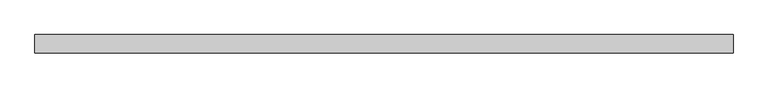
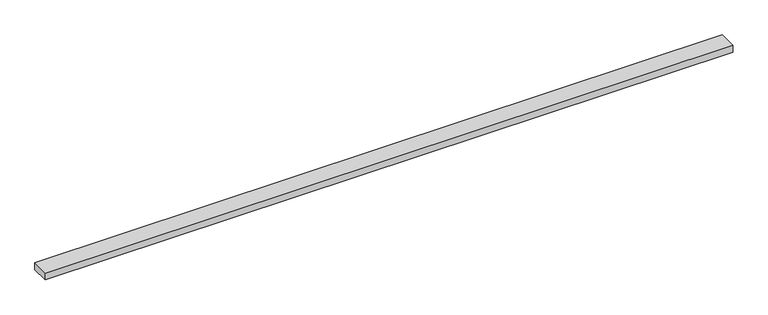
"""IFC4 building model written with IfcOpenShell, lengths in millimetres: beam geometry."""

from ifc_helpers import new_model, si_unit, frame, origin, place, context, project, spatial, polyline, outline, extrude, source, transform, mapped, element, save


def beam_5170ab33(model_context):
    return source(origin(), model_context, "Body", "SweptSolid", [
        extrude(outline(polyline([(1343.5, -35.0), (-1308.5, -35.0), (-1308.5, 35.0), (1343.5, 35.0), (1343.5, -35.0)])), frame((0.0, 0.0, -14.0), z_axis=(0.0, 0.0, 1.0), x_axis=(1.0, 0.0, 0.0)), (0.0, 0.0, 1.0), 28.0),
    ])


if __name__ == "__main__":
    model = new_model("IFC4")
    model_context = context("Model", 3, world=origin())
    ifc_project = project(units=[si_unit("LENGTHUNIT", "METRE", prefix="MILLI")], contexts=[model_context])
    site = spatial("IfcSite", under=ifc_project)
    building = spatial("IfcBuilding", under=site)
    placement = place(None, origin())
    beam_shape = beam_5170ab33(model_context)
    element("IfcBeam", 1, at=placement, inside=building, context=model_context, shape_type="MappedRepresentation", body=[
        mapped(beam_shape, transform((0.0, 0.0, 0.0), x_axis=(1.0, 0.0, 0.0), y_axis=(0.0, 1.0, 0.0), z_axis=(0.0, 0.0, 1.0))),
    ])
    save(model, "model.ifc")
